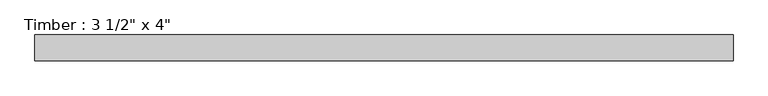
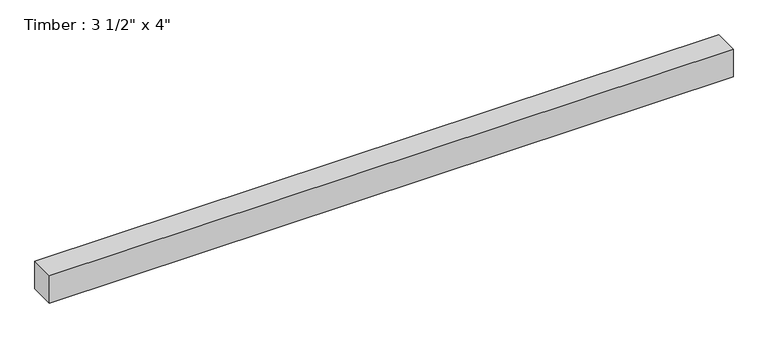
"""IFC4 building model written with IfcOpenShell, lengths in millimetres: beam geometry."""

from ifc_helpers import new_model, si_unit, frame, origin, place, context, project, spatial, polyline, outline, extrude, source, transform, mapped, element, save


def beam_ee41130d(model_context):
    return source(origin(), model_context, "Body", "SweptSolid", [
        extrude(outline(polyline([(1205.4177931, -44.45), (-1205.4177931, -44.45), (-1205.4177931, 44.45), (1205.4177931, 44.45), (1205.4177931, -44.45)])), frame((0.0, 0.0, -50.8), z_axis=(0.0, 0.0, 1.0), x_axis=(1.0, 0.0, 0.0)), (0.0, 0.0, 1.0), 101.6),
    ])


if __name__ == "__main__":
    model = new_model("IFC4")
    model_context = context("Model", 3, world=origin())
    ifc_project = project(units=[si_unit("LENGTHUNIT", "METRE", prefix="MILLI")], contexts=[model_context])
    site = spatial("IfcSite", under=ifc_project)
    building = spatial("IfcBuilding", under=site)
    placement = place(None, origin())
    beam_shape = beam_ee41130d(model_context)
    element("IfcBeam", 1, ObjectType="Timber : 3 1/2\" x 4\"", at=placement, inside=building, context=model_context, shape_type="MappedRepresentation", body=[
        mapped(beam_shape, transform((0.0, 0.0, 0.0), x_axis=(1.0, 0.0, 0.0), y_axis=(0.0, 1.0, 0.0), z_axis=(0.0, 0.0, 1.0))),
    ])
    save(model, "model.ifc")
